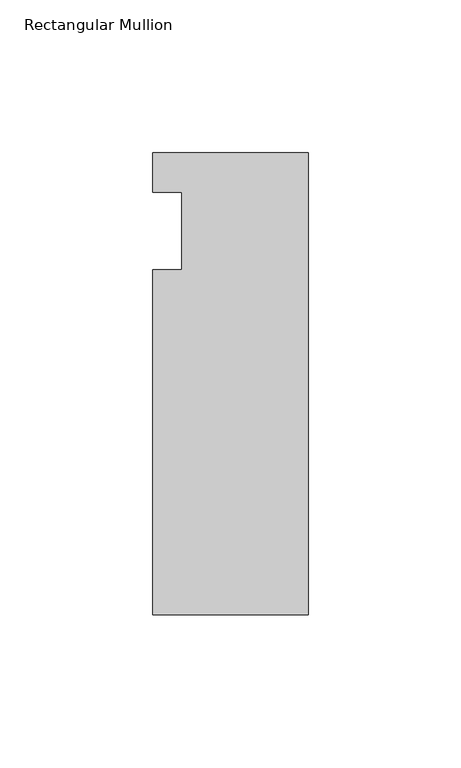
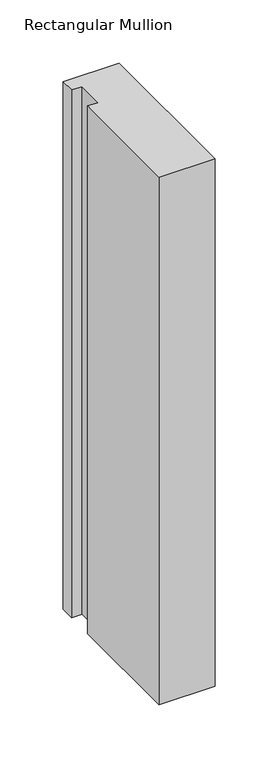
"""IFC4 building model written with IfcOpenShell, lengths in millimetres: member geometry, Rectangular Mullion."""

from ifc_helpers import new_model, si_unit, frame, origin, place, context, project, spatial, polyline, outline, extrude, source, transform, mapped, element, save


def rectangular_mullion_8c559186(model_context):
    return source(origin(), model_context, "Body", "SweptSolid", [
        extrude(outline(polyline([(-50.8, 25.5984375), (0.0, 25.5984375), (0.0, -125.6109375), (-50.8, -125.6109375), (-50.8, -12.7), (-41.275, -12.7), (-41.275, 12.7), (-50.8, 12.7), (-50.8, 25.5984375)])), frame((0.0, 0.0, -508.0), z_axis=(0.0, 0.0, 1.0), x_axis=(1.0, 0.0, 0.0)), (0.0, 0.0, 1.0), 508.0),
    ])


if __name__ == "__main__":
    model = new_model("IFC4")
    model_context = context("Model", 3, world=origin())
    ifc_project = project(units=[si_unit("LENGTHUNIT", "METRE", prefix="MILLI")], contexts=[model_context])
    site = spatial("IfcSite", under=ifc_project)
    building = spatial("IfcBuilding", under=site)
    placement = place(None, origin())
    rectangular_mullion_shape = rectangular_mullion_8c559186(model_context)
    element("IfcMember", 1, ObjectType="Rectangular Mullion", at=placement, inside=building, context=model_context, shape_type="MappedRepresentation", body=[
        mapped(rectangular_mullion_shape, transform((0.0, 0.0, 0.0), x_axis=(1.0, 0.0, 0.0), y_axis=(0.0, 1.0, 0.0), z_axis=(0.0, 0.0, 1.0))),
    ])
    save(model, "model.ifc")
